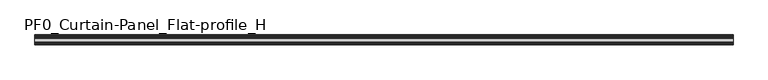
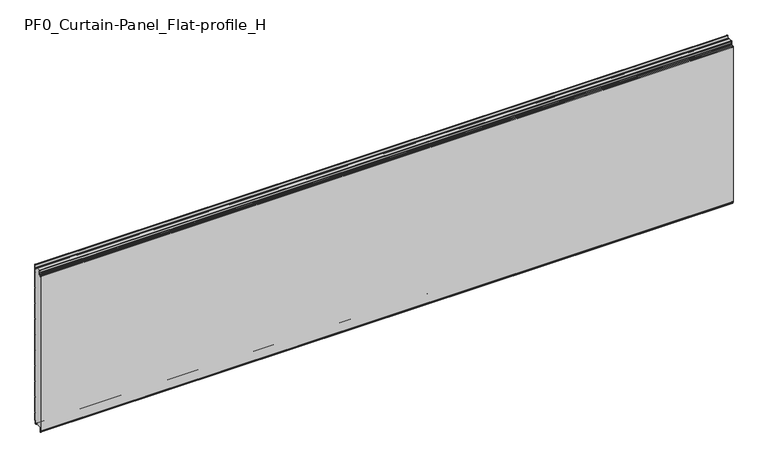
"""IFC4 building model written with IfcOpenShell, lengths in millimetres: plate geometry, PF0_Curtain-Panel_Flat-profile_H."""

from ifc_helpers import new_model, si_unit, point, frame, frame_2d, origin, place, context, project, spatial, polyline, circle_curve, trimmed, segment, composite_curve, outline, extrude, source, transform, mapped, element, save
from ifc_brep_helpers import plane_surface, cylinder_surface, revolved_surface, advanced_brep


def pf0_curtain_panel_flat_profile_h_d69e24cc(model_context):
    return source(origin(), model_context, "Body", "SolidModel", [
        advanced_brep(
        [(-2100.0, -15.878557, 0.0), (-2100.0, -20.0, 0.0), (-2100.0, -20.0, 0.8), (-2100.0, -15.878557, 0.8), (-2100.0, -13.1503208, -1.370137), (-2100.0, -11.728236, -7.529863), (-2100.0, -6.2, -6.9), (-2100.0, -6.2, 8.6), (-2100.0, -3.4, 11.4), (-2100.0, -2.0, 11.4), (-2100.0, -0.8, 12.6), (-2100.0, -0.8, 57.6856412), (-2100.0, -2.482606, 60.6), (-2100.0, -0.8, 63.5143588), (-2100.0, -0.8, 157.6856412), (-2100.0, -2.482606, 160.6), (-2100.0, -0.8, 163.5143588), (-2100.0, -0.8, 257.6856412), (-2100.0, -2.482606, 260.6), (-2100.0, -0.8, 263.5143588), (-2100.0, -0.8, 357.6856412), (-2100.0, -2.482606, 360.6), (-2100.0, -0.8, 363.5143588), (-2100.0, -0.8, 457.6856412), (-2100.0, -2.482606, 460.6), (-2100.0, -0.8, 463.5143588), (-2100.0, -0.8, 557.6856412), (-2100.0, -2.482606, 560.6), (-2100.0, -0.8, 563.5143588), (-2100.0, -0.8, 657.6856412), (-2100.0, -2.482606, 660.6), (-2100.0, -0.8, 663.5143588), (-2100.0, -0.8, 757.6856412), (-2100.0, -2.482606, 760.6), (-2100.0, -0.8, 763.5143588), (-2100.0, -0.8, 857.6856412), (-2100.0, -2.482606, 860.6), (-2100.0, -0.8, 863.5143588), (-2100.0, -0.8, 957.6856412), (-2100.0, -2.482606, 960.6), (-2100.0, -0.8, 963.5143588), (-2100.0, -0.8, 1008.1), (-2100.0, -4.2, 1008.1), (-2100.0, -4.2, 991.1), (-2100.0, -13.7270771, 990.2664884), (-2100.0, -14.8636953, 996.7125669), (-2100.0, -16.6363492, 998.2), (-2100.0, -20.0, 998.2), (-2100.0, -20.0, 999.0), (-2100.0, -16.6363492, 999.0), (-2100.0, -14.0758491, 996.8514855), (-2100.0, -12.939231, 990.405407), (-2100.0, -5.0, 991.1), (-2100.0, -5.0, 1008.1), (-2100.0, -2.5, 1010.6), (-2100.0, 0.0, 1008.1), (-2100.0, 0.0, 963.2999995), (-2100.0, -1.5588455, 960.6), (-2100.0, 0.0, 957.9000005), (-2100.0, 0.0, 863.2999995), (-2100.0, -1.5588455, 860.6), (-2100.0, 0.0, 857.9000005), (-2100.0, 0.0, 763.2999995), (-2100.0, -1.5588455, 760.6), (-2100.0, 0.0, 757.9000005), (-2100.0, 0.0, 663.2999995), (-2100.0, -1.5588455, 660.6), (-2100.0, 0.0, 657.9000005), (-2100.0, 0.0, 563.2999995), (-2100.0, -1.5588455, 560.6), (-2100.0, 0.0, 557.9000005), (-2100.0, 0.0, 463.2999995), (-2100.0, -1.5588455, 460.6), (-2100.0, 0.0, 457.9000005), (-2100.0, 0.0, 363.2999995), (-2100.0, -1.5588455, 360.6), (-2100.0, 0.0, 357.9000005), (-2100.0, 0.0, 263.2999995), (-2100.0, -1.5588455, 260.6), (-2100.0, 0.0, 257.9000005), (-2100.0, 0.0, 163.2999995), (-2100.0, -1.5588455, 160.6), (-2100.0, 0.0, 157.9000005), (-2100.0, 0.0, 63.2999995), (-2100.0, -1.5588455, 60.6), (-2100.0, 0.0, 57.9000005), (-2100.0, 0.0, 12.6), (-2100.0, -2.0, 10.6), (-2100.0, -3.4, 10.6), (-2100.0, -5.4, 8.6), (-2100.0, -5.4, -6.9), (-2100.0, -12.5077322, -7.7098239), (-2100.0, -13.929817, -1.5500979), (2100.0, -15.878557, 0.0), (2100.0, -13.9298169, -1.5500978), (2100.0, -12.507732, -7.7098239), (2100.0, -5.4, -6.9), (2100.0, -5.4, 8.6), (2100.0, -3.4, 10.6), (2100.0, -2.0, 10.6), (2100.0, 0.0, 12.6), (2100.0, 0.0, 57.9000005), (2100.0, -1.5588455, 60.6), (2100.0, 0.0, 63.2999995), (2100.0, 0.0, 157.9000005), (2100.0, -1.5588455, 160.6), (2100.0, 0.0, 163.2999995), (2100.0, 0.0, 257.9000005), (2100.0, -1.5588455, 260.6), (2100.0, 0.0, 263.2999995), (2100.0, 0.0, 357.9000005), (2100.0, -1.5588455, 360.6), (2100.0, 0.0, 363.2999995), (2100.0, 0.0, 457.9000005), (2100.0, -1.5588455, 460.6), (2100.0, 0.0, 463.2999995), (2100.0, 0.0, 557.9000005), (2100.0, -1.5588455, 560.6), (2100.0, 0.0, 563.2999995), (2100.0, 0.0, 657.9000005), (2100.0, -1.5588455, 660.6), (2100.0, 0.0, 663.2999995), (2100.0, 0.0, 757.9000005), (2100.0, -1.5588455, 760.6), (2100.0, 0.0, 763.2999995), (2100.0, 0.0, 857.9000005), (2100.0, -1.5588455, 860.6), (2100.0, 0.0, 863.2999995), (2100.0, 0.0, 957.9000005), (2100.0, -1.5588455, 960.6), (2100.0, 0.0, 963.2999995), (2100.0, 0.0, 1008.1), (2100.0, -2.5, 1010.6), (2100.0, -5.0, 1008.1), (2100.0, -5.0, 991.1), (2100.0, -12.939231, 990.405407), (2100.0, -14.0758491, 996.8514855), (2100.0, -16.6363492, 999.0), (2100.0, -20.0, 999.0), (2100.0, -20.0, 998.2), (2100.0, -16.6363492, 998.2), (2100.0, -14.8636953, 996.7125669), (2100.0, -13.7270772, 990.2664884), (2100.0, -4.2, 991.1), (2100.0, -4.2, 1008.1), (2100.0, -0.8, 1008.1), (2100.0, -0.8, 963.5143588), (2100.0, -2.482606, 960.6), (2100.0, -0.8, 957.6856412), (2100.0, -0.8, 863.5143588), (2100.0, -2.482606, 860.6), (2100.0, -0.8, 857.6856412), (2100.0, -0.8, 763.5143588), (2100.0, -2.482606, 760.6), (2100.0, -0.8, 757.6856412), (2100.0, -0.8, 663.5143588), (2100.0, -2.482606, 660.6), (2100.0, -0.8, 657.6856412), (2100.0, -0.8, 563.5143588), (2100.0, -2.482606, 560.6), (2100.0, -0.8, 557.6856412), (2100.0, -0.8, 463.5143588), (2100.0, -2.482606, 460.6), (2100.0, -0.8, 457.6856412), (2100.0, -0.8, 363.5143588), (2100.0, -2.482606, 360.6), (2100.0, -0.8, 357.6856412), (2100.0, -0.8, 263.5143588), (2100.0, -2.482606, 260.6), (2100.0, -0.8, 257.6856412), (2100.0, -0.8, 163.5143588), (2100.0, -2.482606, 160.6), (2100.0, -0.8, 157.6856412), (2100.0, -0.8, 63.5143588), (2100.0, -2.482606, 60.6), (2100.0, -0.8, 57.6856412), (2100.0, -0.8, 12.6), (2100.0, -2.0, 11.4), (2100.0, -3.4, 11.4), (2100.0, -6.2, 8.6), (2100.0, -6.2, -6.9), (2100.0, -11.7282362, -7.529863), (2100.0, -13.150321, -1.370137), (2100.0, -15.878557, 0.8), (2100.0, -20.0, 0.8), (2100.0, -20.0, 0.0)],
        [
            (0, 1),
            (1, 2),
            (2, 3),
            (3, 4, circle_curve(frame((-2100.0, -15.878557, -2.0), z_axis=(-1.0, 0.0, 0.0), x_axis=(0.0, 0.0, 1.0)), 2.8)),
            (4, 5),
            (5, 6, circle_curve(frame((-2100.0, -9.0, -6.9), z_axis=(1.0, 0.0, 0.0), x_axis=(0.0, 0.0, 1.0)), 2.8)),
            (6, 7),
            (7, 8, circle_curve(frame((-2100.0, -3.4, 8.6), z_axis=(-1.0, 0.0, 0.0), x_axis=(0.0, 0.0, 1.0)), 2.8)),
            (8, 9),
            (9, 10, circle_curve(frame((-2100.0, -2.0, 12.6), z_axis=(1.0, 0.0, 0.0), x_axis=(0.0, 0.0, 1.0)), 1.2)),
            (10, 11),
            (11, 12),
            (12, 13),
            (13, 14),
            (14, 15),
            (15, 16),
            (16, 17),
            (17, 18),
            (18, 19),
            (19, 20),
            (20, 21),
            (21, 22),
            (22, 23),
            (23, 24),
            (24, 25),
            (25, 26),
            (26, 27),
            (27, 28),
            (28, 29),
            (29, 30),
            (30, 31),
            (31, 32),
            (32, 33),
            (33, 34),
            (34, 35),
            (35, 36),
            (36, 37),
            (37, 38),
            (38, 39),
            (39, 40),
            (40, 41),
            (41, 42, circle_curve(frame((-2100.0, -2.5, 1008.1), z_axis=(1.0, 0.0, 0.0), x_axis=(0.0, 0.0, 1.0)), 1.7)),
            (42, 43),
            (43, 44, circle_curve(frame((-2100.0, -9.0, 991.1), z_axis=(-1.0, 0.0, 0.0), x_axis=(0.0, 0.0, 1.0)), 4.8)),
            (44, 45),
            (45, 46, circle_curve(frame((-2100.0, -16.6363492, 996.4), z_axis=(1.0, 0.0, 0.0), x_axis=(0.0, 0.0, 1.0)), 1.8)),
            (46, 47),
            (47, 48),
            (48, 49),
            (49, 50, circle_curve(frame((-2100.0, -16.6363492, 996.4), z_axis=(-1.0, 0.0, 0.0), x_axis=(0.0, 0.0, 1.0)), 2.6)),
            (50, 51),
            (51, 52, circle_curve(frame((-2100.0, -9.0, 991.1), z_axis=(1.0, 0.0, 0.0), x_axis=(0.0, 0.0, 1.0)), 4.0)),
            (52, 53),
            (53, 54, circle_curve(frame((-2100.0, -2.5, 1008.1), z_axis=(-1.0, 0.0, 0.0), x_axis=(0.0, 0.0, 1.0)), 2.5)),
            (54, 55, circle_curve(frame((-2100.0, -2.5, 1008.1), z_axis=(-1.0, 0.0, 0.0), x_axis=(0.0, 0.0, 1.0)), 2.5)),
            (55, 56),
            (56, 57),
            (57, 58),
            (58, 59),
            (59, 60),
            (60, 61),
            (61, 62),
            (62, 63),
            (63, 64),
            (64, 65),
            (65, 66),
            (66, 67),
            (67, 68),
            (68, 69),
            (69, 70),
            (70, 71),
            (71, 72),
            (72, 73),
            (73, 74),
            (74, 75),
            (75, 76),
            (76, 77),
            (77, 78),
            (78, 79),
            (79, 80),
            (80, 81),
            (81, 82),
            (82, 83),
            (83, 84),
            (84, 85),
            (85, 86),
            (86, 87, circle_curve(frame((-2100.0, -2.0, 12.6), z_axis=(-1.0, 0.0, 0.0), x_axis=(0.0, 0.0, 1.0)), 2.0)),
            (87, 88),
            (88, 89, circle_curve(frame((-2100.0, -3.4, 8.6), z_axis=(1.0, 0.0, 0.0), x_axis=(0.0, 0.0, 1.0)), 2.0)),
            (89, 90),
            (90, 91, circle_curve(frame((-2100.0, -9.0, -6.9), z_axis=(-1.0, 0.0, 0.0), x_axis=(0.0, 0.0, 1.0)), 3.6)),
            (91, 92),
            (92, 0, circle_curve(frame((-2100.0, -15.878557, -2.0), z_axis=(1.0, 0.0, 0.0), x_axis=(0.0, 0.0, 1.0)), 2.0)),
            (93, 94, circle_curve(frame((2100.0, -15.878557, -2.0), z_axis=(-1.0, 0.0, 0.0), x_axis=(0.0, 0.0, 1.0)), 2.0)),
            (94, 95),
            (95, 96, circle_curve(frame((2100.0, -9.0, -6.9), z_axis=(1.0, 0.0, 0.0), x_axis=(0.0, 0.0, 1.0)), 3.6)),
            (96, 97),
            (97, 98, circle_curve(frame((2100.0, -3.4, 8.6), z_axis=(-1.0, 0.0, 0.0), x_axis=(0.0, 0.0, 1.0)), 2.0)),
            (98, 99),
            (99, 100, circle_curve(frame((2100.0, -2.0, 12.6), z_axis=(1.0, 0.0, 0.0), x_axis=(0.0, 0.0, 1.0)), 2.0)),
            (100, 101),
            (101, 102),
            (102, 103),
            (103, 104),
            (104, 105),
            (105, 106),
            (106, 107),
            (107, 108),
            (108, 109),
            (109, 110),
            (110, 111),
            (111, 112),
            (112, 113),
            (113, 114),
            (114, 115),
            (115, 116),
            (116, 117),
            (117, 118),
            (118, 119),
            (119, 120),
            (120, 121),
            (121, 122),
            (122, 123),
            (123, 124),
            (124, 125),
            (125, 126),
            (126, 127),
            (127, 128),
            (128, 129),
            (129, 130),
            (130, 131),
            (131, 132, circle_curve(frame((2100.0, -2.5, 1008.1), z_axis=(1.0, 0.0, 0.0), x_axis=(0.0, 0.0, 1.0)), 2.5)),
            (132, 133, circle_curve(frame((2100.0, -2.5, 1008.1), z_axis=(1.0, 0.0, 0.0), x_axis=(0.0, 0.0, 1.0)), 2.5)),
            (133, 134),
            (134, 135, circle_curve(frame((2100.0, -9.0, 991.1), z_axis=(-1.0, 0.0, 0.0), x_axis=(0.0, 0.0, 1.0)), 4.0)),
            (135, 136),
            (136, 137, circle_curve(frame((2100.0, -16.6363492, 996.4), z_axis=(1.0, 0.0, 0.0), x_axis=(0.0, 0.0, 1.0)), 2.6)),
            (137, 138),
            (138, 139),
            (139, 140),
            (140, 141, circle_curve(frame((2100.0, -16.6363492, 996.4), z_axis=(-1.0, 0.0, 0.0), x_axis=(0.0, 0.0, 1.0)), 1.8)),
            (141, 142),
            (142, 143, circle_curve(frame((2100.0, -9.0, 991.1), z_axis=(1.0, 0.0, 0.0), x_axis=(0.0, 0.0, 1.0)), 4.8)),
            (143, 144),
            (144, 145, circle_curve(frame((2100.0, -2.5, 1008.1), z_axis=(-1.0, 0.0, 0.0), x_axis=(0.0, 0.0, 1.0)), 1.7)),
            (145, 146),
            (146, 147),
            (147, 148),
            (148, 149),
            (149, 150),
            (150, 151),
            (151, 152),
            (152, 153),
            (153, 154),
            (154, 155),
            (155, 156),
            (156, 157),
            (157, 158),
            (158, 159),
            (159, 160),
            (160, 161),
            (161, 162),
            (162, 163),
            (163, 164),
            (164, 165),
            (165, 166),
            (166, 167),
            (167, 168),
            (168, 169),
            (169, 170),
            (170, 171),
            (171, 172),
            (172, 173),
            (173, 174),
            (174, 175),
            (175, 176),
            (176, 177, circle_curve(frame((2100.0, -2.0, 12.6), z_axis=(-1.0, 0.0, 0.0), x_axis=(0.0, 0.0, 1.0)), 1.2)),
            (177, 178),
            (178, 179, circle_curve(frame((2100.0, -3.4, 8.6), z_axis=(1.0, 0.0, 0.0), x_axis=(0.0, 0.0, 1.0)), 2.8)),
            (179, 180),
            (180, 181, circle_curve(frame((2100.0, -9.0, -6.9), z_axis=(-1.0, 0.0, 0.0), x_axis=(0.0, 0.0, 1.0)), 2.8)),
            (181, 182),
            (182, 183, circle_curve(frame((2100.0, -15.878557, -2.0), z_axis=(1.0, 0.0, 0.0), x_axis=(0.0, 0.0, 1.0)), 2.8)),
            (183, 184),
            (184, 185),
            (185, 93),
            (0, 93),
            (185, 1),
            (184, 2),
            (183, 3),
            (182, 4),
            (181, 5),
            (180, 6),
            (179, 7),
            (178, 8),
            (177, 9),
            (176, 10),
            (175, 11),
            (174, 12),
            (173, 13),
            (172, 14),
            (171, 15),
            (170, 16),
            (169, 17),
            (168, 18),
            (167, 19),
            (166, 20),
            (165, 21),
            (164, 22),
            (163, 23),
            (162, 24),
            (161, 25),
            (160, 26),
            (159, 27),
            (158, 28),
            (157, 29),
            (156, 30),
            (155, 31),
            (154, 32),
            (153, 33),
            (152, 34),
            (151, 35),
            (150, 36),
            (149, 37),
            (148, 38),
            (147, 39),
            (146, 40),
            (145, 41),
            (144, 42),
            (143, 43),
            (142, 44),
            (141, 45),
            (140, 46),
            (139, 47),
            (138, 48),
            (137, 49),
            (136, 50),
            (135, 51),
            (134, 52),
            (133, 53),
            (131, 55),
            (130, 56),
            (129, 57),
            (128, 58),
            (127, 59),
            (126, 60),
            (125, 61),
            (124, 62),
            (123, 63),
            (122, 64),
            (121, 65),
            (120, 66),
            (119, 67),
            (118, 68),
            (117, 69),
            (116, 70),
            (115, 71),
            (114, 72),
            (113, 73),
            (112, 74),
            (111, 75),
            (110, 76),
            (109, 77),
            (108, 78),
            (107, 79),
            (106, 80),
            (105, 81),
            (104, 82),
            (103, 83),
            (102, 84),
            (101, 85),
            (100, 86),
            (99, 87),
            (98, 88),
            (97, 89),
            (96, 90),
            (95, 91),
            (94, 92),
        ],
        [
            plane_surface(frame((-2100.0, 0.0, 0.0), z_axis=(-1.0, 0.0, 0.0), x_axis=(0.0, 1.0, 0.0))),
            plane_surface(frame((2100.0, 0.0, 0.0), z_axis=(1.0, 0.0, 0.0), x_axis=(0.0, 1.0, 0.0))),
            plane_surface(frame((-2100.0, -15.878557, 0.0), z_axis=(0.0, 0.0, -1.0), x_axis=(1.0, 0.0, 0.0))),
            plane_surface(frame((-2100.0, -20.0, 0.0), z_axis=(0.0, -1.0, 0.0), x_axis=(1.0, 0.0, 0.0))),
            plane_surface(frame((-2100.0, -20.0, 0.8), z_axis=(0.0, 0.0, 1.0), x_axis=(1.0, 0.0, 0.0))),
            cylinder_surface(frame((-2100.0, -15.878557, -2.0), z_axis=(-1.0, 0.0, 0.0), x_axis=(0.0, 0.0, 1.0)), 2.8),
            plane_surface(frame((-2100.0, -13.150321, -1.370137), z_axis=(0.0, 0.9743700578318181, 0.22495108446242168), x_axis=(1.0, 0.0, 0.0))),
            revolved_surface(polyline([(2100.0, -9.0, -4.1000000000000005), (-2100.0, -9.0, -4.1000000000000005)]), (-2100.0, -9.0, -6.9), (1.0, 0.0, 0.0)),
            plane_surface(frame((-2100.0, -6.2, -6.9), z_axis=(0.0, -1.0, 0.0), x_axis=(1.0, 0.0, 0.0))),
            cylinder_surface(frame((-2100.0, -3.4, 8.6), z_axis=(-1.0, 0.0, 0.0), x_axis=(0.0, 0.0, 1.0)), 2.8),
            plane_surface(frame((-2100.0, -3.4, 11.4), z_axis=(0.0, 0.0, 1.0), x_axis=(1.0, 0.0, 0.0))),
            revolved_surface(polyline([(2100.0, -2.0, 13.799999999999999), (-2100.0, -2.0, 13.799999999999999)]), (-2100.0, -2.0, 12.6), (1.0, 0.0, 0.0)),
            plane_surface(frame((-2100.0, -0.8, 12.6), z_axis=(0.0, -1.0, 0.0), x_axis=(1.0, 0.0, 0.0))),
            plane_surface(frame((-2100.0, -0.8, 57.6856412), z_axis=(0.0, -0.8660253865035757, -0.5000000299313314), x_axis=(1.0, 0.0, 0.0))),
            plane_surface(frame((-2100.0, -2.482606, 60.6), z_axis=(0.0, -0.8660253865035789, 0.5000000299313261), x_axis=(1.0, 0.0, 0.0))),
            plane_surface(frame((-2100.0, -0.8, 63.5143588), z_axis=(0.0, -1.0, 0.0), x_axis=(1.0, 0.0, 0.0))),
            plane_surface(frame((-2100.0, -0.8, 157.6856412), z_axis=(0.0, -0.8660253865035755, -0.5000000299313319), x_axis=(1.0, 0.0, 0.0))),
            plane_surface(frame((-2100.0, -2.482606, 160.6), z_axis=(0.0, -0.8660253865035777, 0.5000000299313279), x_axis=(1.0, 0.0, 0.0))),
            plane_surface(frame((-2100.0, -0.8, 163.5143588), z_axis=(0.0, -1.0, 0.0), x_axis=(1.0, 0.0, 0.0))),
            plane_surface(frame((-2100.0, -0.8, 257.6856412), z_axis=(0.0, -0.8660253865035755, -0.5000000299313319), x_axis=(1.0, 0.0, 0.0))),
            plane_surface(frame((-2100.0, -2.482606, 260.6), z_axis=(0.0, -0.8660253865035777, 0.5000000299313279), x_axis=(1.0, 0.0, 0.0))),
            plane_surface(frame((-2100.0, -0.8, 263.5143588), z_axis=(0.0, -1.0, 0.0), x_axis=(1.0, 0.0, 0.0))),
            plane_surface(frame((-2100.0, -0.8, 357.6856412), z_axis=(0.0, -0.8660253865035754, -0.500000029931332), x_axis=(1.0, 0.0, 0.0))),
            plane_surface(frame((-2100.0, -2.482606, 360.6), z_axis=(0.0, -0.8660253865035789, 0.5000000299313261), x_axis=(1.0, 0.0, 0.0))),
            plane_surface(frame((-2100.0, -0.8, 363.5143588), z_axis=(0.0, -1.0, 0.0), x_axis=(1.0, 0.0, 0.0))),
            plane_surface(frame((-2100.0, -0.8, 457.6856412), z_axis=(0.0, -0.8660253865035755, -0.5000000299313319), x_axis=(1.0, 0.0, 0.0))),
            plane_surface(frame((-2100.0, -2.482606, 460.6), z_axis=(0.0, -0.8660253865035785, 0.5000000299313266), x_axis=(1.0, 0.0, 0.0))),
            plane_surface(frame((-2100.0, -0.8, 463.5143588), z_axis=(0.0, -1.0, 0.0), x_axis=(1.0, 0.0, 0.0))),
            plane_surface(frame((-2100.0, -0.8, 557.6856412), z_axis=(0.0, -0.8660253865035755, -0.500000029931332), x_axis=(1.0, 0.0, 0.0))),
            plane_surface(frame((-2100.0, -2.482606, 560.6), z_axis=(0.0, -0.8660253865035789, 0.500000029931326), x_axis=(1.0, 0.0, 0.0))),
            plane_surface(frame((-2100.0, -0.8, 563.5143588), z_axis=(0.0, -1.0, 0.0), x_axis=(1.0, 0.0, 0.0))),
            plane_surface(frame((-2100.0, -0.8, 657.6856412), z_axis=(0.0, -0.8660253865035755, -0.5000000299313317), x_axis=(1.0, 0.0, 0.0))),
            plane_surface(frame((-2100.0, -2.482606, 660.6), z_axis=(0.0, -0.8660253865035772, 0.5000000299313291), x_axis=(1.0, 0.0, 0.0))),
            plane_surface(frame((-2100.0, -0.8, 663.5143588), z_axis=(0.0, -1.0, 0.0), x_axis=(1.0, 0.0, 0.0))),
            plane_surface(frame((-2100.0, -0.8, 757.6856412), z_axis=(0.0, -0.8660253865035755, -0.5000000299313319), x_axis=(1.0, 0.0, 0.0))),
            plane_surface(frame((-2100.0, -2.482606, 760.6), z_axis=(0.0, -0.8660253865035771, 0.5000000299313291), x_axis=(1.0, 0.0, 0.0))),
            plane_surface(frame((-2100.0, -0.8, 763.5143588), z_axis=(0.0, -1.0, 0.0), x_axis=(1.0, 0.0, 0.0))),
            plane_surface(frame((-2100.0, -0.8, 857.6856412), z_axis=(0.0, -0.8660253865035755, -0.5000000299313319), x_axis=(1.0, 0.0, 0.0))),
            plane_surface(frame((-2100.0, -2.482606, 860.6), z_axis=(0.0, -0.8660253865035775, 0.5000000299313283), x_axis=(1.0, 0.0, 0.0))),
            plane_surface(frame((-2100.0, -0.8, 863.5143588), z_axis=(0.0, -1.0, 0.0), x_axis=(1.0, 0.0, 0.0))),
            plane_surface(frame((-2100.0, -0.8, 957.6856412), z_axis=(0.0, -0.8660253865035755, -0.500000029931332), x_axis=(1.0, 0.0, 0.0))),
            plane_surface(frame((-2100.0, -2.482606, 960.6), z_axis=(0.0, -0.8660253865035771, 0.5000000299313291), x_axis=(1.0, 0.0, 0.0))),
            plane_surface(frame((-2100.0, -0.8, 963.5143588), z_axis=(0.0, -1.0, 0.0), x_axis=(1.0, 0.0, 0.0))),
            revolved_surface(polyline([(2100.0, -2.5, 1009.8000000000001), (-2100.0, -2.5, 1009.8000000000001)]), (-2100.0, -2.5, 1008.1), (1.0, 0.0, 0.0)),
            plane_surface(frame((-2100.0, -4.2, 1008.1), z_axis=(0.0, 1.0, 0.0), x_axis=(1.0, 0.0, 0.0))),
            cylinder_surface(frame((-2100.0, -9.0, 991.1), z_axis=(-1.0, 0.0, 0.0), x_axis=(0.0, 0.0, 1.0)), 4.8),
            plane_surface(frame((-2100.0, -13.7270772, 990.2664884), z_axis=(0.0, -0.9848077391954005, -0.17364825602592165), x_axis=(1.0, 0.0, 0.0))),
            revolved_surface(polyline([(2100.0, -16.6363492, 998.1999999999999), (-2100.0, -16.6363492, 998.1999999999999)]), (-2100.0, -16.6363492, 996.4), (1.0, 0.0, 0.0)),
            plane_surface(frame((-2100.0, -16.6363492, 998.2), z_axis=(0.0, 0.0, -1.0), x_axis=(1.0, 0.0, 0.0))),
            plane_surface(frame((-2100.0, -20.0, 998.2), z_axis=(0.0, -1.0, 0.0), x_axis=(1.0, 0.0, 0.0))),
            plane_surface(frame((-2100.0, -20.0, 999.0), z_axis=(0.0, 0.0, 1.0), x_axis=(1.0, 0.0, 0.0))),
            cylinder_surface(frame((-2100.0, -16.6363492, 996.4), z_axis=(-1.0, 0.0, 0.0), x_axis=(0.0, 0.0, 1.0)), 2.6),
            plane_surface(frame((-2100.0, -14.0758491, 996.8514855), z_axis=(0.0, 0.9848077391954003, 0.1736482560259224), x_axis=(1.0, 0.0, 0.0))),
            revolved_surface(polyline([(2100.0, -9.0, 995.1), (-2100.0, -9.0, 995.1)]), (-2100.0, -9.0, 991.1), (1.0, 0.0, 0.0)),
            plane_surface(frame((-2100.0, -5.0, 991.1), z_axis=(0.0, -1.0, 0.0), x_axis=(1.0, 0.0, 0.0))),
            cylinder_surface(frame((-2100.0, -2.5, 1008.1), z_axis=(-1.0, 0.0, 0.0), x_axis=(0.0, 0.0, 1.0)), 2.5),
            plane_surface(frame((-2100.0, 0.0, 1008.1), z_axis=(0.0, 1.0, 0.0), x_axis=(1.0, 0.0, 0.0))),
            plane_surface(frame((-2100.0, 0.0, 963.2999995), z_axis=(0.0, 0.8660253865035786, -0.5000000299313263), x_axis=(1.0, 0.0, 0.0))),
            plane_surface(frame((-2100.0, -1.5588455, 960.6), z_axis=(0.0, 0.8660253865035755, 0.5000000299313319), x_axis=(1.0, 0.0, 0.0))),
            plane_surface(frame((-2100.0, 0.0, 957.9000005), z_axis=(0.0, 1.0, 0.0), x_axis=(1.0, 0.0, 0.0))),
            plane_surface(frame((-2100.0, 0.0, 863.2999995), z_axis=(0.0, 0.8660253865035786, -0.5000000299313263), x_axis=(1.0, 0.0, 0.0))),
            plane_surface(frame((-2100.0, -1.5588455, 860.6), z_axis=(0.0, 0.8660253865035755, 0.5000000299313319), x_axis=(1.0, 0.0, 0.0))),
            plane_surface(frame((-2100.0, 0.0, 857.9000005), z_axis=(0.0, 1.0, 0.0), x_axis=(1.0, 0.0, 0.0))),
            plane_surface(frame((-2100.0, 0.0, 763.2999995), z_axis=(0.0, 0.8660253865035786, -0.5000000299313263), x_axis=(1.0, 0.0, 0.0))),
            plane_surface(frame((-2100.0, -1.5588455, 760.6), z_axis=(0.0, 0.8660253865035755, 0.5000000299313319), x_axis=(1.0, 0.0, 0.0))),
            plane_surface(frame((-2100.0, 0.0, 757.9000005), z_axis=(0.0, 1.0, 0.0), x_axis=(1.0, 0.0, 0.0))),
            plane_surface(frame((-2100.0, 0.0, 663.2999995), z_axis=(0.0, 0.8660253865035786, -0.5000000299313263), x_axis=(1.0, 0.0, 0.0))),
            plane_surface(frame((-2100.0, -1.5588455, 660.6), z_axis=(0.0, 0.8660253865035755, 0.5000000299313319), x_axis=(1.0, 0.0, 0.0))),
            plane_surface(frame((-2100.0, 0.0, 657.9000005), z_axis=(0.0, 1.0, 0.0), x_axis=(1.0, 0.0, 0.0))),
            plane_surface(frame((-2100.0, 0.0, 563.2999995), z_axis=(0.0, 0.8660253865035786, -0.5000000299313263), x_axis=(1.0, 0.0, 0.0))),
            plane_surface(frame((-2100.0, -1.5588455, 560.6), z_axis=(0.0, 0.8660253865035755, 0.5000000299313319), x_axis=(1.0, 0.0, 0.0))),
            plane_surface(frame((-2100.0, 0.0, 557.9000005), z_axis=(0.0, 1.0, 0.0), x_axis=(1.0, 0.0, 0.0))),
            plane_surface(frame((-2100.0, 0.0, 463.2999995), z_axis=(0.0, 0.8660253865035786, -0.5000000299313263), x_axis=(1.0, 0.0, 0.0))),
            plane_surface(frame((-2100.0, -1.5588455, 460.6), z_axis=(0.0, 0.8660253865035755, 0.5000000299313319), x_axis=(1.0, 0.0, 0.0))),
            plane_surface(frame((-2100.0, 0.0, 457.9000005), z_axis=(0.0, 1.0, 0.0), x_axis=(1.0, 0.0, 0.0))),
            plane_surface(frame((-2100.0, 0.0, 363.2999995), z_axis=(0.0, 0.8660253865035786, -0.5000000299313263), x_axis=(1.0, 0.0, 0.0))),
            plane_surface(frame((-2100.0, -1.5588455, 360.6), z_axis=(0.0, 0.8660253865035755, 0.5000000299313319), x_axis=(1.0, 0.0, 0.0))),
            plane_surface(frame((-2100.0, 0.0, 357.9000005), z_axis=(0.0, 1.0, 0.0), x_axis=(1.0, 0.0, 0.0))),
            plane_surface(frame((-2100.0, 0.0, 263.2999995), z_axis=(0.0, 0.8660253865035786, -0.5000000299313263), x_axis=(1.0, 0.0, 0.0))),
            plane_surface(frame((-2100.0, -1.5588455, 260.6), z_axis=(0.0, 0.8660253865035755, 0.5000000299313319), x_axis=(1.0, 0.0, 0.0))),
            plane_surface(frame((-2100.0, 0.0, 257.9000005), z_axis=(0.0, 1.0, 0.0), x_axis=(1.0, 0.0, 0.0))),
            plane_surface(frame((-2100.0, 0.0, 163.2999995), z_axis=(0.0, 0.8660253865035786, -0.5000000299313263), x_axis=(1.0, 0.0, 0.0))),
            plane_surface(frame((-2100.0, -1.5588455, 160.6), z_axis=(0.0, 0.8660253865035755, 0.5000000299313319), x_axis=(1.0, 0.0, 0.0))),
            plane_surface(frame((-2100.0, 0.0, 157.9000005), z_axis=(0.0, 1.0, 0.0), x_axis=(1.0, 0.0, 0.0))),
            plane_surface(frame((-2100.0, 0.0, 63.2999995), z_axis=(0.0, 0.8660253865035786, -0.5000000299313263), x_axis=(1.0, 0.0, 0.0))),
            plane_surface(frame((-2100.0, -1.5588455, 60.6), z_axis=(0.0, 0.8660253865035755, 0.5000000299313319), x_axis=(1.0, 0.0, 0.0))),
            plane_surface(frame((-2100.0, 0.0, 57.9000005), z_axis=(0.0, 1.0, 0.0), x_axis=(1.0, 0.0, 0.0))),
            cylinder_surface(frame((-2100.0, -2.0, 12.6), z_axis=(-1.0, 0.0, 0.0), x_axis=(0.0, 0.0, 1.0)), 2.0),
            plane_surface(frame((-2100.0, -2.0, 10.6), z_axis=(0.0, 0.0, -1.0), x_axis=(1.0, 0.0, 0.0))),
            revolved_surface(polyline([(2100.0, -3.4, 10.6), (-2100.0, -3.4, 10.6)]), (-2100.0, -3.4, 8.6), (1.0, 0.0, 0.0)),
            plane_surface(frame((-2100.0, -5.4, 8.6), z_axis=(0.0, 1.0, 0.0), x_axis=(1.0, 0.0, 0.0))),
            cylinder_surface(frame((-2100.0, -9.0, -6.9), z_axis=(-1.0, 0.0, 0.0), x_axis=(0.0, 0.0, 1.0)), 3.6),
            plane_surface(frame((-2100.0, -12.507732, -7.7098239), z_axis=(0.0, -0.9743700578318182, -0.22495108446242174), x_axis=(1.0, 0.0, 0.0))),
            revolved_surface(polyline([(2100.0, -15.878557, 0.0), (-2100.0, -15.878557, 0.0)]), (-2100.0, -15.878557, -2.0), (1.0, 0.0, 0.0)),
        ],
        [
            (0, [[1, 2, 3, 4, 5, 6, 7, 8, 9, 10, 11, 12, 13, 14, 15, 16, 17, 18, 19, 20, 21, 22, 23, 24, 25, 26, 27, 28, 29, 30, 31, 32, 33, 34, 35, 36, 37, 38, 39, 40, 41, 42, 43, 44, 45, 46, 47, 48, 49, 50, 51, 52, 53, 54, 55, 56, 57, 58, 59, 60, 61, 62, 63, 64, 65, 66, 67, 68, 69, 70, 71, 72, 73, 74, 75, 76, 77, 78, 79, 80, 81, 82, 83, 84, 85, 86, 87, 88, 89, 90, 91, 92, 93]]),
            (1, [[94, 95, 96, 97, 98, 99, 100, 101, 102, 103, 104, 105, 106, 107, 108, 109, 110, 111, 112, 113, 114, 115, 116, 117, 118, 119, 120, 121, 122, 123, 124, 125, 126, 127, 128, 129, 130, 131, 132, 133, 134, 135, 136, 137, 138, 139, 140, 141, 142, 143, 144, 145, 146, 147, 148, 149, 150, 151, 152, 153, 154, 155, 156, 157, 158, 159, 160, 161, 162, 163, 164, 165, 166, 167, 168, 169, 170, 171, 172, 173, 174, 175, 176, 177, 178, 179, 180, 181, 182, 183, 184, 185, 186]]),
            (2, [[-1, 187, -186, 188]]),
            (3, [[-2, -188, -185, 189]]),
            (4, [[-3, -189, -184, 190]]),
            (5, [[-4, -190, -183, 191]]),
            (6, [[-5, -191, -182, 192]]),
            (7, [[-6, -192, -181, 193]]),
            (8, [[-7, -193, -180, 194]]),
            (9, [[-8, -194, -179, 195]]),
            (10, [[-9, -195, -178, 196]]),
            (11, [[-10, -196, -177, 197]]),
            (12, [[-11, -197, -176, 198]]),
            (13, [[-12, -198, -175, 199]]),
            (14, [[-13, -199, -174, 200]]),
            (15, [[-14, -200, -173, 201]]),
            (16, [[-15, -201, -172, 202]]),
            (17, [[-16, -202, -171, 203]]),
            (18, [[-17, -203, -170, 204]]),
            (19, [[-18, -204, -169, 205]]),
            (20, [[-19, -205, -168, 206]]),
            (21, [[-20, -206, -167, 207]]),
            (22, [[-21, -207, -166, 208]]),
            (23, [[-22, -208, -165, 209]]),
            (24, [[-23, -209, -164, 210]]),
            (25, [[-24, -210, -163, 211]]),
            (26, [[-25, -211, -162, 212]]),
            (27, [[-26, -212, -161, 213]]),
            (28, [[-27, -213, -160, 214]]),
            (29, [[-28, -214, -159, 215]]),
            (30, [[-29, -215, -158, 216]]),
            (31, [[-30, -216, -157, 217]]),
            (32, [[-31, -217, -156, 218]]),
            (33, [[-32, -218, -155, 219]]),
            (34, [[-33, -219, -154, 220]]),
            (35, [[-34, -220, -153, 221]]),
            (36, [[-35, -221, -152, 222]]),
            (37, [[-36, -222, -151, 223]]),
            (38, [[-37, -223, -150, 224]]),
            (39, [[-38, -224, -149, 225]]),
            (40, [[-39, -225, -148, 226]]),
            (41, [[-40, -226, -147, 227]]),
            (42, [[-41, -227, -146, 228]]),
            (43, [[-42, -228, -145, 229]]),
            (44, [[-43, -229, -144, 230]]),
            (45, [[-44, -230, -143, 231]]),
            (46, [[-45, -231, -142, 232]]),
            (47, [[-46, -232, -141, 233]]),
            (48, [[-47, -233, -140, 234]]),
            (49, [[-48, -234, -139, 235]]),
            (50, [[-49, -235, -138, 236]]),
            (51, [[-50, -236, -137, 237]]),
            (52, [[-51, -237, -136, 238]]),
            (53, [[-52, -238, -135, 239]]),
            (54, [[-53, -239, -134, 240]]),
            (55, [[-240, -133, -132, 241, -55, -54]]),
            (56, [[-56, -241, -131, 242]]),
            (57, [[-57, -242, -130, 243]]),
            (58, [[-58, -243, -129, 244]]),
            (59, [[-59, -244, -128, 245]]),
            (60, [[-60, -245, -127, 246]]),
            (61, [[-61, -246, -126, 247]]),
            (62, [[-62, -247, -125, 248]]),
            (63, [[-63, -248, -124, 249]]),
            (64, [[-64, -249, -123, 250]]),
            (65, [[-65, -250, -122, 251]]),
            (66, [[-66, -251, -121, 252]]),
            (67, [[-67, -252, -120, 253]]),
            (68, [[-68, -253, -119, 254]]),
            (69, [[-69, -254, -118, 255]]),
            (70, [[-70, -255, -117, 256]]),
            (71, [[-71, -256, -116, 257]]),
            (72, [[-72, -257, -115, 258]]),
            (73, [[-73, -258, -114, 259]]),
            (74, [[-74, -259, -113, 260]]),
            (75, [[-75, -260, -112, 261]]),
            (76, [[-76, -261, -111, 262]]),
            (77, [[-77, -262, -110, 263]]),
            (78, [[-78, -263, -109, 264]]),
            (79, [[-79, -264, -108, 265]]),
            (80, [[-80, -265, -107, 266]]),
            (81, [[-81, -266, -106, 267]]),
            (82, [[-82, -267, -105, 268]]),
            (83, [[-83, -268, -104, 269]]),
            (84, [[-84, -269, -103, 270]]),
            (85, [[-85, -270, -102, 271]]),
            (86, [[-86, -271, -101, 272]]),
            (87, [[-87, -272, -100, 273]]),
            (88, [[-88, -273, -99, 274]]),
            (89, [[-89, -274, -98, 275]]),
            (90, [[-90, -275, -97, 276]]),
            (91, [[-91, -276, -96, 277]]),
            (92, [[-92, -277, -95, 278]]),
            (93, [[-93, -278, -94, -187]]),
        ],
    ),
        extrude(outline(composite_curve([segment(polyline([(-50.0, 0.8), (-53.5, 0.8)]), True, "CONTINUOUS"), segment(trimmed(circle_curve(frame_2d((-53.5, -2.0)), 2.8), [point((-53.5, 0.8))], [point((-56.3, -2.0))], True, "CARTESIAN"), True, "CONTINUOUS"), segment(polyline([(-56.3, -2.0), (-56.3, -32.8700312)]), True, "CONTINUOUS"), segment(trimmed(circle_curve(frame_2d((-56.6, -32.8700312)), 0.3), [point((-56.3, -32.8700312))], [point((-56.9, -32.8700312))], False, "CARTESIAN"), True, "CONTINUOUS"), segment(polyline([(-56.9, -32.8700312), (-56.9, -26.9)]), True, "CONTINUOUS"), segment(trimmed(circle_curve(frame_2d((-58.6133333, -26.9)), 1.7133333), [point((-56.9, -26.9))], [point((-58.4, -25.2))], True, "CARTESIAN"), True, "CONTINUOUS"), segment(trimmed(circle_curve(frame_2d((-58.4, -24.4)), 0.8), [point((-58.4, -25.2))], [point((-59.2, -24.4))], False, "CARTESIAN"), True, "CONTINUOUS"), segment(polyline([(-59.2, -24.4), (-59.2, 972.8891513)]), True, "CONTINUOUS"), segment(trimmed(circle_curve(frame_2d((-58.9, 972.8891513)), 0.3), [point((-59.2, 972.8891513))], [point((-58.6, 972.8891513))], False, "CARTESIAN"), True, "CONTINUOUS"), segment(polyline([(-58.6, 972.8891513), (-58.6, 967.0)]), True, "CONTINUOUS"), segment(trimmed(circle_curve(frame_2d((-56.4, 967.0)), 2.2), [point((-58.6, 967.0))], [point((-54.2, 967.0))], True, "CARTESIAN"), True, "CONTINUOUS"), segment(polyline([(-54.2, 967.0), (-54.2, 967.8276204)]), True, "CONTINUOUS"), segment(trimmed(circle_curve(frame_2d((-48.8276204, 967.8276204)), 5.3723796), [point((-54.2, 967.8276204))], [point((-48.8276204, 973.2))], False, "CARTESIAN"), True, "CONTINUOUS"), segment(polyline([(-48.8276204, 973.2), (-48.0, 973.2)]), True, "CONTINUOUS"), segment(trimmed(circle_curve(frame_2d((-48.0, 975.0)), 1.8), [point((-48.0, 973.2))], [point((-46.2, 975.0))], True, "CARTESIAN"), True, "CONTINUOUS"), segment(polyline([(-46.2, 975.0), (-46.2, 981.1686302), (-44.3686285, 983.0), (-46.2, 984.8313698), (-46.2, 996.4)]), True, "CONTINUOUS"), segment(trimmed(circle_curve(frame_2d((-44.4, 996.4)), 1.8), [point((-46.2, 996.4))], [point((-44.4, 998.2))], False, "CARTESIAN"), True, "CONTINUOUS"), segment(polyline([(-44.4, 998.2), (-43.0, 998.2), (-43.0, 999.0), (-20.0, 999.0), (-20.0, 998.2), (-16.6363492, 998.2)]), True, "CONTINUOUS"), segment(trimmed(circle_curve(frame_2d((-16.6363492, 996.4)), 1.8), [point((-16.6363492, 998.2))], [point((-14.8636953, 996.7125669))], False, "CARTESIAN"), True, "CONTINUOUS"), segment(polyline([(-14.8636953, 996.7125669), (-13.7270772, 990.2664884)]), True, "CONTINUOUS"), segment(trimmed(circle_curve(frame_2d((-9.0, 991.1)), 4.8), [point((-13.7270772, 990.2664884))], [point((-4.2, 991.1))], True, "CARTESIAN"), True, "CONTINUOUS"), segment(polyline([(-4.2, 991.1), (-4.2, 1008.1)]), True, "CONTINUOUS"), segment(trimmed(circle_curve(frame_2d((-2.5, 1008.1)), 1.7), [point((-4.2, 1008.1))], [point((-0.8, 1008.1))], False, "CARTESIAN"), True, "CONTINUOUS"), segment(polyline([(-0.8, 1008.1), (-0.8, 963.5143588), (-2.482606, 960.6), (-0.8, 957.6856412), (-0.8, 863.5143588), (-2.482606, 860.6), (-0.8, 857.6856412), (-0.8, 763.5143588), (-2.482606, 760.6), (-0.8, 757.6856412), (-0.8, 663.5143588), (-2.482606, 660.6), (-0.8, 657.6856412), (-0.8, 563.5143588), (-2.482606, 560.6), (-0.8, 557.6856412), (-0.8, 463.5143588), (-2.482606, 460.6), (-0.8, 457.6856412), (-0.8, 363.5143588), (-2.482606, 360.6), (-0.8, 357.6856412), (-0.8, 263.5143588), (-2.482606, 260.6), (-0.8, 257.6856412), (-0.8, 163.5143588), (-2.482606, 160.6), (-0.8, 157.6856412), (-0.8, 63.5143588), (-2.482606, 60.6), (-0.8, 57.6856412), (-0.8, 12.6)]), True, "CONTINUOUS"), segment(trimmed(circle_curve(frame_2d((-2.0, 12.6)), 1.2), [point((-0.8, 12.6))], [point((-2.0, 11.4))], False, "CARTESIAN"), True, "CONTINUOUS"), segment(polyline([(-2.0, 11.4), (-3.4, 11.4)]), True, "CONTINUOUS"), segment(trimmed(circle_curve(frame_2d((-3.4, 8.6)), 2.8), [point((-3.4, 11.4))], [point((-6.2, 8.6))], True, "CARTESIAN"), True, "CONTINUOUS"), segment(polyline([(-6.2, 8.6), (-6.2, -6.9)]), True, "CONTINUOUS"), segment(trimmed(circle_curve(frame_2d((-9.0, -6.9)), 2.8), [point((-6.2, -6.9))], [point((-11.7282362, -7.529863))], False, "CARTESIAN"), True, "CONTINUOUS"), segment(polyline([(-11.7282362, -7.529863), (-13.1503208, -1.370137)]), True, "CONTINUOUS"), segment(trimmed(circle_curve(frame_2d((-15.878557, -2.0)), 2.8), [point((-13.1503208, -1.370137))], [point((-15.878557, 0.8))], True, "CARTESIAN"), True, "CONTINUOUS"), segment(polyline([(-15.878557, 0.8), (-20.0, 0.8), (-20.0, 0.0), (-50.0, 0.0), (-50.0, 0.8)]), True, "CONTINUOUS")], self_intersect=False)), frame((-2100.0, 0.0, 0.0), z_axis=(1.0, 0.0, 0.0), x_axis=(0.0, 1.0, 0.0)), (0.0, 0.0, 1.0), 4200.0),
        extrude(outline(composite_curve([segment(polyline([(-50.0, 0.0), (-53.5, 0.0)]), True, "CONTINUOUS"), segment(trimmed(circle_curve(frame_2d((-53.5, -2.0)), 2.0), [point((-53.5, 0.0))], [point((-55.5, -2.0))], True, "CARTESIAN"), True, "CONTINUOUS"), segment(polyline([(-55.5, -2.0), (-55.5, -33.0)]), True, "CONTINUOUS"), segment(trimmed(circle_curve(frame_2d((-56.5, -33.0)), 1.0), [point((-55.5, -33.0))], [point((-57.5, -33.0))], False, "CARTESIAN"), True, "CONTINUOUS"), segment(polyline([(-57.5, -33.0), (-57.5, -26.9)]), True, "CONTINUOUS"), segment(trimmed(circle_curve(frame_2d((-58.4, -26.9)), 0.9), [point((-57.5, -26.9))], [point((-58.4, -26.0))], True, "CARTESIAN"), True, "CONTINUOUS"), segment(trimmed(circle_curve(frame_2d((-58.4, -24.4)), 1.6), [point((-58.4, -26.0))], [point((-60.0, -24.4))], False, "CARTESIAN"), True, "CONTINUOUS"), segment(polyline([(-60.0, -24.4), (-60.0, 973.0)]), True, "CONTINUOUS"), segment(trimmed(circle_curve(frame_2d((-59.0, 973.0)), 1.0), [point((-60.0, 973.0))], [point((-58.0, 973.0))], False, "CARTESIAN"), True, "CONTINUOUS"), segment(polyline([(-58.0, 973.0), (-58.0, 967.0)]), True, "CONTINUOUS"), segment(trimmed(circle_curve(frame_2d((-56.5, 967.0)), 1.5), [point((-58.0, 967.0))], [point((-55.0, 967.0))], True, "CARTESIAN"), True, "CONTINUOUS"), segment(polyline([(-55.0, 967.0), (-55.0, 967.8276204)]), True, "CONTINUOUS"), segment(trimmed(circle_curve(frame_2d((-48.8276204, 967.8276204)), 6.1723796), [point((-55.0, 967.8276204))], [point((-48.8276204, 974.0))], False, "CARTESIAN"), True, "CONTINUOUS"), segment(polyline([(-48.8276204, 974.0), (-48.0, 974.0)]), True, "CONTINUOUS"), segment(trimmed(circle_curve(frame_2d((-48.0, 975.0)), 1.0), [point((-48.0, 974.0))], [point((-47.0, 975.0))], True, "CARTESIAN"), True, "CONTINUOUS"), segment(polyline([(-47.0, 975.0), (-47.0, 981.5000012), (-45.4999999, 983.0), (-47.0, 984.4999988), (-47.0, 996.4)]), True, "CONTINUOUS"), segment(trimmed(circle_curve(frame_2d((-44.4, 996.4)), 2.6), [point((-47.0, 996.4))], [point((-44.4, 999.0))], False, "CARTESIAN"), True, "CONTINUOUS"), segment(polyline([(-44.4, 999.0), (-43.0, 999.0), (-43.0, 998.2), (-44.4, 998.2)]), True, "CONTINUOUS"), segment(trimmed(circle_curve(frame_2d((-44.4, 996.4)), 1.8), [point((-44.4, 998.2))], [point((-46.2, 996.4))], True, "CARTESIAN"), True, "CONTINUOUS"), segment(polyline([(-46.2, 996.4), (-46.2, 984.8313698), (-44.3686285, 983.0), (-46.2, 981.1686302), (-46.2, 975.0)]), True, "CONTINUOUS"), segment(trimmed(circle_curve(frame_2d((-48.0, 975.0)), 1.8), [point((-46.2, 975.0))], [point((-48.0, 973.2))], False, "CARTESIAN"), True, "CONTINUOUS"), segment(polyline([(-48.0, 973.2), (-48.8276204, 973.2)]), True, "CONTINUOUS"), segment(trimmed(circle_curve(frame_2d((-48.8276204, 967.8276204)), 5.3723796), [point((-48.8276204, 973.2))], [point((-54.2, 967.8276204))], True, "CARTESIAN"), True, "CONTINUOUS"), segment(polyline([(-54.2, 967.8276204), (-54.2, 967.0)]), True, "CONTINUOUS"), segment(trimmed(circle_curve(frame_2d((-56.4, 967.0)), 2.2), [point((-54.2, 967.0))], [point((-58.6, 967.0))], False, "CARTESIAN"), True, "CONTINUOUS"), segment(polyline([(-58.6, 967.0), (-58.6, 972.8891513)]), True, "CONTINUOUS"), segment(trimmed(circle_curve(frame_2d((-58.9, 972.8891513)), 0.3), [point((-58.6, 972.8891513))], [point((-59.2, 972.8891513))], True, "CARTESIAN"), True, "CONTINUOUS"), segment(polyline([(-59.2, 972.8891513), (-59.2, -24.4)]), True, "CONTINUOUS"), segment(trimmed(circle_curve(frame_2d((-58.4, -24.4)), 0.8), [point((-59.2, -24.4))], [point((-58.4, -25.2))], True, "CARTESIAN"), True, "CONTINUOUS"), segment(trimmed(circle_curve(frame_2d((-58.6133333, -26.9)), 1.7133333), [point((-58.4, -25.2))], [point((-56.9, -26.9))], False, "CARTESIAN"), True, "CONTINUOUS"), segment(polyline([(-56.9, -26.9), (-56.9, -32.8700312)]), True, "CONTINUOUS"), segment(trimmed(circle_curve(frame_2d((-56.6, -32.8700312)), 0.3), [point((-56.9, -32.8700312))], [point((-56.3, -32.8700312))], True, "CARTESIAN"), True, "CONTINUOUS"), segment(polyline([(-56.3, -32.8700312), (-56.3, -2.0)]), True, "CONTINUOUS"), segment(trimmed(circle_curve(frame_2d((-53.5, -2.0)), 2.8), [point((-56.3, -2.0))], [point((-53.5, 0.8))], False, "CARTESIAN"), True, "CONTINUOUS"), segment(polyline([(-53.5, 0.8), (-50.0, 0.8), (-50.0, 0.0)]), True, "CONTINUOUS")], self_intersect=False)), frame((-2100.0, 0.0, 0.0), z_axis=(1.0, 0.0, 0.0), x_axis=(0.0, 1.0, 0.0)), (0.0, 0.0, 1.0), 4200.0),
    ])


if __name__ == "__main__":
    model = new_model("IFC4")
    model_context = context("Model", 3, world=origin())
    ifc_project = project(units=[si_unit("LENGTHUNIT", "METRE", prefix="MILLI")], contexts=[model_context])
    site = spatial("IfcSite", under=ifc_project)
    building = spatial("IfcBuilding", under=site)
    placement = place(None, origin())
    pf0_curtain_panel_flat_profile_h_shape = pf0_curtain_panel_flat_profile_h_d69e24cc(model_context)
    element("IfcPlate", 1, ObjectType="PF0_Curtain-Panel_Flat-profile_H", at=placement, inside=building, context=model_context, shape_type="MappedRepresentation", body=[
        mapped(pf0_curtain_panel_flat_profile_h_shape, transform((0.0, 0.0, 0.0), x_axis=(1.0, 0.0, 0.0), y_axis=(0.0, 1.0, 0.0), z_axis=(0.0, 0.0, 1.0))),
    ])
    save(model, "model.ifc")
